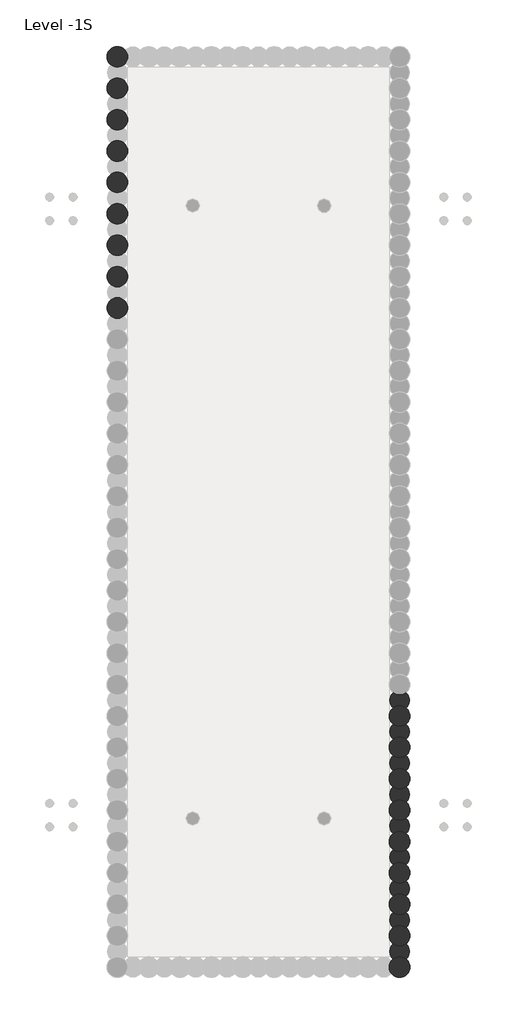
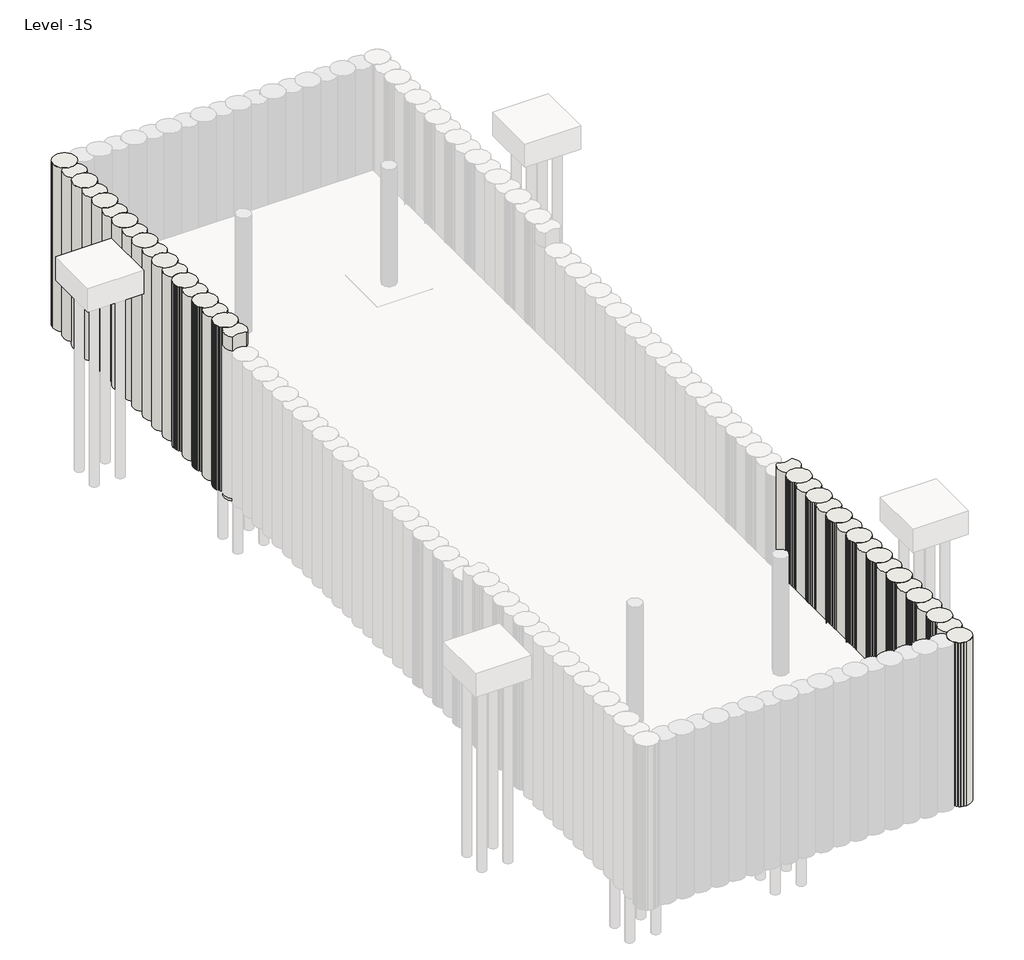
# One storey, part 2 of 5: 2 walls.
"""IFC4 building model written with IfcOpenShell, lengths in millimetres."""

from ifc_helpers import new_model, si_unit, point, frame, frame_2d, origin, place, context, project, spatial, circle_curve, trimmed, segment, composite_curve, outline, extrude, element, save

model = new_model("IFC4")

# Units and contexts
model_context = context("Model", 3, world=origin())
ifc_project = project(units=[si_unit("LENGTHUNIT", "METRE", prefix="MILLI")], contexts=[model_context])

# Site, building, storey
site = spatial("IfcSite", under=ifc_project)
building = spatial("IfcBuilding", under=site)
storey = spatial("IfcBuildingStorey", under=building, Name="Level -1S", Elevation=-5100.0)

# Walls
placement = place(None, origin())
element("IfcWall", 1, ObjectType="Walls 3 : Walls 3", at=placement, inside=storey, context=model_context, shape_type="SweptSolid", body=[
    extrude(outline(composite_curve([segment(trimmed(circle_curve(frame_2d((-25.5749186, 40975.7751014)), 460.0), [point((-25.5749186, 41435.7751014))], [point((-25.5749186, 40515.7751014))], False, "CARTESIAN"), True, "CONTINUOUS"), segment(trimmed(circle_curve(frame_2d((-25.5749186, 40975.7751014)), 460.0), [point((-25.5749186, 40515.7751014))], [point((-25.5749186, 41435.7751014))], False, "CARTESIAN"), True, "CONTINUOUS")], self_intersect=False)), frame((0.0, 0.0, -7700.0), z_axis=(0.0, 0.0, 1.0), x_axis=(1.0, 0.0, 0.0)), (0.0, 0.0, 1.0), 7000.0),
    extrude(outline(composite_curve([segment(trimmed(circle_curve(frame_2d((-25.5749186, 40975.7751014)), 460.0), [point((-307.0613915, 40611.9545885))], [point((-25.5749186, 40515.7751014))], True, "CARTESIAN"), True, "CONTINUOUS"), segment(trimmed(circle_curve(frame_2d((-25.5749186, 40975.7751014)), 460.0), [point((-25.5749186, 40515.7751014))], [point((255.9115544, 40611.9545885))], True, "CARTESIAN"), True, "CONTINUOUS"), segment(trimmed(circle_curve(frame_2d((-25.5749186, 40273.7751014)), 440.0), [point((255.9115544, 40611.9545885))], [point((255.9115544, 39935.5956142))], False, "CARTESIAN"), True, "CONTINUOUS"), segment(trimmed(circle_curve(frame_2d((-25.5749186, 39571.7751014)), 460.0), [point((255.9115544, 39935.5956142))], [point((-307.0613915, 39935.5956142))], True, "CARTESIAN"), True, "CONTINUOUS"), segment(trimmed(circle_curve(frame_2d((-25.5749186, 40273.7751014)), 440.0), [point((-307.0613915, 39935.5956142))], [point((-307.0613915, 40611.9545885))], False, "CARTESIAN"), True, "CONTINUOUS")], self_intersect=False)), frame((0.0, 0.0, -7700.0), z_axis=(0.0, 0.0, 1.0), x_axis=(1.0, 0.0, 0.0)), (0.0, 0.0, 1.0), 7000.0),
    extrude(outline(composite_curve([segment(trimmed(circle_curve(frame_2d((-25.5749186, 39571.7751014)), 460.0), [point((-25.5749186, 40031.7751014))], [point((-25.5749186, 39111.7751014))], False, "CARTESIAN"), True, "CONTINUOUS"), segment(trimmed(circle_curve(frame_2d((-25.5749186, 39571.7751014)), 460.0), [point((-25.5749186, 39111.7751014))], [point((-25.5749186, 40031.7751014))], False, "CARTESIAN"), True, "CONTINUOUS")], self_intersect=False)), frame((0.0, 0.0, -7700.0), z_axis=(0.0, 0.0, 1.0), x_axis=(1.0, 0.0, 0.0)), (0.0, 0.0, 1.0), 7000.0),
    extrude(outline(composite_curve([segment(trimmed(circle_curve(frame_2d((-25.5749186, 39571.7751014)), 460.0), [point((-307.0613915, 39207.9545885))], [point((-25.5749186, 39111.7751014))], True, "CARTESIAN"), True, "CONTINUOUS"), segment(trimmed(circle_curve(frame_2d((-25.5749186, 39571.7751014)), 460.0), [point((-25.5749186, 39111.7751014))], [point((255.9115544, 39207.9545885))], True, "CARTESIAN"), True, "CONTINUOUS"), segment(trimmed(circle_curve(frame_2d((-25.5749186, 38869.7751014)), 440.0), [point((255.9115544, 39207.9545885))], [point((255.9115544, 38531.5956142))], False, "CARTESIAN"), True, "CONTINUOUS"), segment(trimmed(circle_curve(frame_2d((-25.5749186, 38167.7751014)), 460.0), [point((255.9115544, 38531.5956142))], [point((-307.0613915, 38531.5956142))], True, "CARTESIAN"), True, "CONTINUOUS"), segment(trimmed(circle_curve(frame_2d((-25.5749186, 38869.7751014)), 440.0), [point((-307.0613915, 38531.5956142))], [point((-307.0613915, 39207.9545885))], False, "CARTESIAN"), True, "CONTINUOUS")], self_intersect=False)), frame((0.0, 0.0, -7700.0), z_axis=(0.0, 0.0, 1.0), x_axis=(1.0, 0.0, 0.0)), (0.0, 0.0, 1.0), 7000.0),
    extrude(outline(composite_curve([segment(trimmed(circle_curve(frame_2d((-25.5749186, 38167.7751014)), 460.0), [point((-25.5749186, 38627.7751014))], [point((-25.5749186, 37707.7751014))], False, "CARTESIAN"), True, "CONTINUOUS"), segment(trimmed(circle_curve(frame_2d((-25.5749186, 38167.7751014)), 460.0), [point((-25.5749186, 37707.7751014))], [point((-25.5749186, 38627.7751014))], False, "CARTESIAN"), True, "CONTINUOUS")], self_intersect=False)), frame((0.0, 0.0, -7700.0), z_axis=(0.0, 0.0, 1.0), x_axis=(1.0, 0.0, 0.0)), (0.0, 0.0, 1.0), 7000.0),
    extrude(outline(composite_curve([segment(trimmed(circle_curve(frame_2d((-25.5749186, 38167.7751014)), 460.0), [point((-307.0613915, 37803.9545885))], [point((-25.5749186, 37707.7751014))], True, "CARTESIAN"), True, "CONTINUOUS"), segment(trimmed(circle_curve(frame_2d((-25.5749186, 38167.7751014)), 460.0), [point((-25.5749186, 37707.7751014))], [point((255.9115544, 37803.9545885))], True, "CARTESIAN"), True, "CONTINUOUS"), segment(trimmed(circle_curve(frame_2d((-25.5749186, 37465.7751014)), 440.0), [point((255.9115544, 37803.9545885))], [point((255.9115544, 37127.5956142))], False, "CARTESIAN"), True, "CONTINUOUS"), segment(trimmed(circle_curve(frame_2d((-25.5749186, 36763.7751014)), 460.0), [point((255.9115544, 37127.5956142))], [point((-307.0613915, 37127.5956142))], True, "CARTESIAN"), True, "CONTINUOUS"), segment(trimmed(circle_curve(frame_2d((-25.5749186, 37465.7751014)), 440.0), [point((-307.0613915, 37127.5956142))], [point((-307.0613915, 37803.9545885))], False, "CARTESIAN"), True, "CONTINUOUS")], self_intersect=False)), frame((0.0, 0.0, -7700.0), z_axis=(0.0, 0.0, 1.0), x_axis=(1.0, 0.0, 0.0)), (0.0, 0.0, 1.0), 7000.0),
    extrude(outline(composite_curve([segment(trimmed(circle_curve(frame_2d((-25.5749186, 36763.7751014)), 460.0), [point((-25.5749186, 37223.7751014))], [point((-25.5749186, 36303.7751014))], False, "CARTESIAN"), True, "CONTINUOUS"), segment(trimmed(circle_curve(frame_2d((-25.5749186, 36763.7751014)), 460.0), [point((-25.5749186, 36303.7751014))], [point((-25.5749186, 37223.7751014))], False, "CARTESIAN"), True, "CONTINUOUS")], self_intersect=False)), frame((0.0, 0.0, -7700.0), z_axis=(0.0, 0.0, 1.0), x_axis=(1.0, 0.0, 0.0)), (0.0, 0.0, 1.0), 7000.0),
    extrude(outline(composite_curve([segment(trimmed(circle_curve(frame_2d((-25.5749186, 36763.7751014)), 460.0), [point((-307.0613915, 36399.9545885))], [point((-25.5749186, 36303.7751014))], True, "CARTESIAN"), True, "CONTINUOUS"), segment(trimmed(circle_curve(frame_2d((-25.5749186, 36763.7751014)), 460.0), [point((-25.5749186, 36303.7751014))], [point((255.9115544, 36399.9545885))], True, "CARTESIAN"), True, "CONTINUOUS"), segment(trimmed(circle_curve(frame_2d((-25.5749186, 36061.7751014)), 440.0), [point((255.9115544, 36399.9545885))], [point((255.9115544, 35723.5956142))], False, "CARTESIAN"), True, "CONTINUOUS"), segment(trimmed(circle_curve(frame_2d((-25.5749186, 35359.7751014)), 460.0), [point((255.9115544, 35723.5956142))], [point((-307.0613915, 35723.5956142))], True, "CARTESIAN"), True, "CONTINUOUS"), segment(trimmed(circle_curve(frame_2d((-25.5749186, 36061.7751014)), 440.0), [point((-307.0613915, 35723.5956142))], [point((-307.0613915, 36399.9545885))], False, "CARTESIAN"), True, "CONTINUOUS")], self_intersect=False)), frame((0.0, 0.0, -7700.0), z_axis=(0.0, 0.0, 1.0), x_axis=(1.0, 0.0, 0.0)), (0.0, 0.0, 1.0), 7000.0),
    extrude(outline(composite_curve([segment(trimmed(circle_curve(frame_2d((-25.5749186, 35359.7751014)), 460.0), [point((-25.5749186, 35819.7751014))], [point((-25.5749186, 34899.7751014))], False, "CARTESIAN"), True, "CONTINUOUS"), segment(trimmed(circle_curve(frame_2d((-25.5749186, 35359.7751014)), 460.0), [point((-25.5749186, 34899.7751014))], [point((-25.5749186, 35819.7751014))], False, "CARTESIAN"), True, "CONTINUOUS")], self_intersect=False)), frame((0.0, 0.0, -7700.0), z_axis=(0.0, 0.0, 1.0), x_axis=(1.0, 0.0, 0.0)), (0.0, 0.0, 1.0), 7000.0),
    extrude(outline(composite_curve([segment(trimmed(circle_curve(frame_2d((-25.5749186, 35359.7751014)), 460.0), [point((-307.0613915, 34995.9545885))], [point((-25.5749186, 34899.7751014))], True, "CARTESIAN"), True, "CONTINUOUS"), segment(trimmed(circle_curve(frame_2d((-25.5749186, 35359.7751014)), 460.0), [point((-25.5749186, 34899.7751014))], [point((255.9115544, 34995.9545885))], True, "CARTESIAN"), True, "CONTINUOUS"), segment(trimmed(circle_curve(frame_2d((-25.5749186, 34657.7751014)), 440.0), [point((255.9115544, 34995.9545885))], [point((255.9115544, 34319.5956142))], False, "CARTESIAN"), True, "CONTINUOUS"), segment(trimmed(circle_curve(frame_2d((-25.5749186, 33955.7751014)), 460.0), [point((255.9115544, 34319.5956142))], [point((-307.0613915, 34319.5956142))], True, "CARTESIAN"), True, "CONTINUOUS"), segment(trimmed(circle_curve(frame_2d((-25.5749186, 34657.7751014)), 440.0), [point((-307.0613915, 34319.5956142))], [point((-307.0613915, 34995.9545885))], False, "CARTESIAN"), True, "CONTINUOUS")], self_intersect=False)), frame((0.0, 0.0, -7700.0), z_axis=(0.0, 0.0, 1.0), x_axis=(1.0, 0.0, 0.0)), (0.0, 0.0, 1.0), 7000.0),
    extrude(outline(composite_curve([segment(trimmed(circle_curve(frame_2d((-25.5749186, 33955.7751014)), 460.0), [point((-25.5749186, 34415.7751014))], [point((-25.5749186, 33495.7751014))], False, "CARTESIAN"), True, "CONTINUOUS"), segment(trimmed(circle_curve(frame_2d((-25.5749186, 33955.7751014)), 460.0), [point((-25.5749186, 33495.7751014))], [point((-25.5749186, 34415.7751014))], False, "CARTESIAN"), True, "CONTINUOUS")], self_intersect=False)), frame((0.0, 0.0, -7700.0), z_axis=(0.0, 0.0, 1.0), x_axis=(1.0, 0.0, 0.0)), (0.0, 0.0, 1.0), 7000.0),
    extrude(outline(composite_curve([segment(trimmed(circle_curve(frame_2d((-25.5749186, 33955.7751014)), 460.0), [point((-307.0613915, 33591.9545885))], [point((-25.5749186, 33495.7751014))], True, "CARTESIAN"), True, "CONTINUOUS"), segment(trimmed(circle_curve(frame_2d((-25.5749186, 33955.7751014)), 460.0), [point((-25.5749186, 33495.7751014))], [point((255.9115544, 33591.9545885))], True, "CARTESIAN"), True, "CONTINUOUS"), segment(trimmed(circle_curve(frame_2d((-25.5749186, 33253.7751014)), 440.0), [point((255.9115544, 33591.9545885))], [point((255.9115544, 32915.5956142))], False, "CARTESIAN"), True, "CONTINUOUS"), segment(trimmed(circle_curve(frame_2d((-25.5749186, 32551.7751014)), 460.0), [point((255.9115544, 32915.5956142))], [point((-307.0613915, 32915.5956142))], True, "CARTESIAN"), True, "CONTINUOUS"), segment(trimmed(circle_curve(frame_2d((-25.5749186, 33253.7751014)), 440.0), [point((-307.0613915, 32915.5956142))], [point((-307.0613915, 33591.9545885))], False, "CARTESIAN"), True, "CONTINUOUS")], self_intersect=False)), frame((0.0, 0.0, -7700.0), z_axis=(0.0, 0.0, 1.0), x_axis=(1.0, 0.0, 0.0)), (0.0, 0.0, 1.0), 7000.0),
    extrude(outline(composite_curve([segment(trimmed(circle_curve(frame_2d((-25.5749186, 32551.7751014)), 460.0), [point((-25.5749186, 33011.7751014))], [point((-25.5749186, 32091.7751014))], False, "CARTESIAN"), True, "CONTINUOUS"), segment(trimmed(circle_curve(frame_2d((-25.5749186, 32551.7751014)), 460.0), [point((-25.5749186, 32091.7751014))], [point((-25.5749186, 33011.7751014))], False, "CARTESIAN"), True, "CONTINUOUS")], self_intersect=False)), frame((0.0, 0.0, -7700.0), z_axis=(0.0, 0.0, 1.0), x_axis=(1.0, 0.0, 0.0)), (0.0, 0.0, 1.0), 7000.0),
    extrude(outline(composite_curve([segment(trimmed(circle_curve(frame_2d((-25.5749186, 32551.7751014)), 460.0), [point((-307.0613915, 32187.9545885))], [point((-25.5749186, 32091.7751014))], True, "CARTESIAN"), True, "CONTINUOUS"), segment(trimmed(circle_curve(frame_2d((-25.5749186, 32551.7751014)), 460.0), [point((-25.5749186, 32091.7751014))], [point((255.9115544, 32187.9545885))], True, "CARTESIAN"), True, "CONTINUOUS"), segment(trimmed(circle_curve(frame_2d((-25.5749186, 31849.7751014)), 440.0), [point((255.9115544, 32187.9545885))], [point((255.9115544, 31511.5956142))], False, "CARTESIAN"), True, "CONTINUOUS"), segment(trimmed(circle_curve(frame_2d((-25.5749186, 31147.7751014)), 460.0), [point((255.9115544, 31511.5956142))], [point((-307.0613915, 31511.5956142))], True, "CARTESIAN"), True, "CONTINUOUS"), segment(trimmed(circle_curve(frame_2d((-25.5749186, 31849.7751014)), 440.0), [point((-307.0613915, 31511.5956142))], [point((-307.0613915, 32187.9545885))], False, "CARTESIAN"), True, "CONTINUOUS")], self_intersect=False)), frame((0.0, 0.0, -7700.0), z_axis=(0.0, 0.0, 1.0), x_axis=(1.0, 0.0, 0.0)), (0.0, 0.0, 1.0), 7000.0),
    extrude(outline(composite_curve([segment(trimmed(circle_curve(frame_2d((-25.5749186, 31147.7751014)), 460.0), [point((-25.5749186, 31607.7751014))], [point((-25.5749186, 30687.7751014))], False, "CARTESIAN"), True, "CONTINUOUS"), segment(trimmed(circle_curve(frame_2d((-25.5749186, 31147.7751014)), 460.0), [point((-25.5749186, 30687.7751014))], [point((-25.5749186, 31607.7751014))], False, "CARTESIAN"), True, "CONTINUOUS")], self_intersect=False)), frame((0.0, 0.0, -7700.0), z_axis=(0.0, 0.0, 1.0), x_axis=(1.0, 0.0, 0.0)), (0.0, 0.0, 1.0), 7000.0),
    extrude(outline(composite_curve([segment(trimmed(circle_curve(frame_2d((-25.5749186, 31147.7751014)), 460.0), [point((-307.0613915, 30783.9545885))], [point((-25.5749186, 30687.7751014))], True, "CARTESIAN"), True, "CONTINUOUS"), segment(trimmed(circle_curve(frame_2d((-25.5749186, 31147.7751014)), 460.0), [point((-25.5749186, 30687.7751014))], [point((255.9115544, 30783.9545885))], True, "CARTESIAN"), True, "CONTINUOUS"), segment(trimmed(circle_curve(frame_2d((-25.5749186, 30445.7751014)), 440.0), [point((255.9115544, 30783.9545885))], [point((255.9115544, 30107.5956142))], False, "CARTESIAN"), True, "CONTINUOUS"), segment(trimmed(circle_curve(frame_2d((-25.5749186, 29743.7751014)), 460.0), [point((255.9115544, 30107.5956142))], [point((-307.0613915, 30107.5956142))], True, "CARTESIAN"), True, "CONTINUOUS"), segment(trimmed(circle_curve(frame_2d((-25.5749186, 30445.7751014)), 440.0), [point((-307.0613915, 30107.5956142))], [point((-307.0613915, 30783.9545885))], False, "CARTESIAN"), True, "CONTINUOUS")], self_intersect=False)), frame((0.0, 0.0, -7700.0), z_axis=(0.0, 0.0, 1.0), x_axis=(1.0, 0.0, 0.0)), (0.0, 0.0, 1.0), 7000.0),
    extrude(outline(composite_curve([segment(trimmed(circle_curve(frame_2d((-25.5749186, 29743.7751014)), 460.0), [point((-25.5749186, 30203.7751014))], [point((-25.5749186, 29283.7751014))], False, "CARTESIAN"), True, "CONTINUOUS"), segment(trimmed(circle_curve(frame_2d((-25.5749186, 29743.7751014)), 460.0), [point((-25.5749186, 29283.7751014))], [point((-25.5749186, 30203.7751014))], False, "CARTESIAN"), True, "CONTINUOUS")], self_intersect=False)), frame((0.0, 0.0, -7700.0), z_axis=(0.0, 0.0, 1.0), x_axis=(1.0, 0.0, 0.0)), (0.0, 0.0, 1.0), 7000.0),
    extrude(outline(composite_curve([segment(trimmed(circle_curve(frame_2d((-25.5749186, 29743.7751014)), 460.0), [point((-307.0613915, 29379.9545885))], [point((-25.5749186, 29283.7751014))], True, "CARTESIAN"), True, "CONTINUOUS"), segment(trimmed(circle_curve(frame_2d((-25.5749186, 29743.7751014)), 460.0), [point((-25.5749186, 29283.7751014))], [point((255.9115544, 29379.9545885))], True, "CARTESIAN"), True, "CONTINUOUS"), segment(trimmed(circle_curve(frame_2d((-25.5749186, 29041.7751014)), 440.0), [point((255.9115544, 29379.9545885))], [point((255.9115544, 28703.5956142))], False, "CARTESIAN"), True, "CONTINUOUS"), segment(trimmed(circle_curve(frame_2d((-25.5749186, 28339.7751014)), 460.0), [point((255.9115544, 28703.5956142))], [point((-307.0613915, 28703.5956142))], True, "CARTESIAN"), True, "CONTINUOUS"), segment(trimmed(circle_curve(frame_2d((-25.5749186, 29041.7751014)), 440.0), [point((-307.0613915, 28703.5956142))], [point((-307.0613915, 29379.9545885))], False, "CARTESIAN"), True, "CONTINUOUS")], self_intersect=False)), frame((0.0, 0.0, -7700.0), z_axis=(0.0, 0.0, 1.0), x_axis=(1.0, 0.0, 0.0)), (0.0, 0.0, 1.0), 7000.0),
])
element("IfcWall", 2, ObjectType="Walls 8 : Walls 3", at=placement, inside=storey, context=model_context, shape_type="SweptSolid", body=[
    extrude(outline(composite_curve([segment(trimmed(circle_curve(frame_2d((12610.42816, 259.7751014)), 460.0), [point((12610.42816, -200.2248986))], [point((12610.42816, 719.7751014))], False, "CARTESIAN"), True, "CONTINUOUS"), segment(trimmed(circle_curve(frame_2d((12610.42816, 259.7751014)), 460.0), [point((12610.42816, 719.7751014))], [point((12610.42816, -200.2248986))], False, "CARTESIAN"), True, "CONTINUOUS")], self_intersect=False)), frame((0.0, 0.0, -7700.0), z_axis=(0.0, 0.0, 1.0), x_axis=(1.0, 0.0, 0.0)), (0.0, 0.0, 1.0), 7000.0),
    extrude(outline(composite_curve([segment(trimmed(circle_curve(frame_2d((12610.42816, 259.7751014)), 460.0), [point((12891.914633, 623.5956142))], [point((12610.42816, 719.7751014))], True, "CARTESIAN"), True, "CONTINUOUS"), segment(trimmed(circle_curve(frame_2d((12610.42816, 259.7751014)), 460.0), [point((12610.42816, 719.7751014))], [point((12328.9416871, 623.5956142))], True, "CARTESIAN"), True, "CONTINUOUS"), segment(trimmed(circle_curve(frame_2d((12610.42816, 961.7751014)), 440.0), [point((12328.9416871, 623.5956142))], [point((12328.9416871, 1299.9545885))], False, "CARTESIAN"), True, "CONTINUOUS"), segment(trimmed(circle_curve(frame_2d((12610.42816, 1663.7751014)), 460.0), [point((12328.9416871, 1299.9545885))], [point((12891.914633, 1299.9545885))], True, "CARTESIAN"), True, "CONTINUOUS"), segment(trimmed(circle_curve(frame_2d((12610.42816, 961.7751014)), 440.0), [point((12891.914633, 1299.9545885))], [point((12891.914633, 623.5956142))], False, "CARTESIAN"), True, "CONTINUOUS")], self_intersect=False)), frame((0.0, 0.0, -7700.0), z_axis=(0.0, 0.0, 1.0), x_axis=(1.0, 0.0, 0.0)), (0.0, 0.0, 1.0), 7000.0),
    extrude(outline(composite_curve([segment(trimmed(circle_curve(frame_2d((12610.42816, 1663.7751014)), 460.0), [point((12610.42816, 1203.7751014))], [point((12610.42816, 2123.7751014))], False, "CARTESIAN"), True, "CONTINUOUS"), segment(trimmed(circle_curve(frame_2d((12610.42816, 1663.7751014)), 460.0), [point((12610.42816, 2123.7751014))], [point((12610.42816, 1203.7751014))], False, "CARTESIAN"), True, "CONTINUOUS")], self_intersect=False)), frame((0.0, 0.0, -7700.0), z_axis=(0.0, 0.0, 1.0), x_axis=(1.0, 0.0, 0.0)), (0.0, 0.0, 1.0), 7000.0),
    extrude(outline(composite_curve([segment(trimmed(circle_curve(frame_2d((12610.42816, 1663.7751014)), 460.0), [point((12891.914633, 2027.5956142))], [point((12610.42816, 2123.7751014))], True, "CARTESIAN"), True, "CONTINUOUS"), segment(trimmed(circle_curve(frame_2d((12610.42816, 1663.7751014)), 460.0), [point((12610.42816, 2123.7751014))], [point((12328.9416871, 2027.5956142))], True, "CARTESIAN"), True, "CONTINUOUS"), segment(trimmed(circle_curve(frame_2d((12610.42816, 2365.7751014)), 440.0), [point((12328.9416871, 2027.5956142))], [point((12328.9416871, 2703.9545885))], False, "CARTESIAN"), True, "CONTINUOUS"), segment(trimmed(circle_curve(frame_2d((12610.42816, 3067.7751014)), 460.0), [point((12328.9416871, 2703.9545885))], [point((12891.914633, 2703.9545885))], True, "CARTESIAN"), True, "CONTINUOUS"), segment(trimmed(circle_curve(frame_2d((12610.42816, 2365.7751014)), 440.0), [point((12891.914633, 2703.9545885))], [point((12891.914633, 2027.5956142))], False, "CARTESIAN"), True, "CONTINUOUS")], self_intersect=False)), frame((0.0, 0.0, -7700.0), z_axis=(0.0, 0.0, 1.0), x_axis=(1.0, 0.0, 0.0)), (0.0, 0.0, 1.0), 7000.0),
    extrude(outline(composite_curve([segment(trimmed(circle_curve(frame_2d((12610.42816, 3067.7751014)), 460.0), [point((12610.42816, 2607.7751014))], [point((12610.42816, 3527.7751014))], False, "CARTESIAN"), True, "CONTINUOUS"), segment(trimmed(circle_curve(frame_2d((12610.42816, 3067.7751014)), 460.0), [point((12610.42816, 3527.7751014))], [point((12610.42816, 2607.7751014))], False, "CARTESIAN"), True, "CONTINUOUS")], self_intersect=False)), frame((0.0, 0.0, -7700.0), z_axis=(0.0, 0.0, 1.0), x_axis=(1.0, 0.0, 0.0)), (0.0, 0.0, 1.0), 7000.0),
    extrude(outline(composite_curve([segment(trimmed(circle_curve(frame_2d((12610.42816, 3067.7751014)), 460.0), [point((12891.914633, 3431.5956142))], [point((12610.42816, 3527.7751014))], True, "CARTESIAN"), True, "CONTINUOUS"), segment(trimmed(circle_curve(frame_2d((12610.42816, 3067.7751014)), 460.0), [point((12610.42816, 3527.7751014))], [point((12328.9416871, 3431.5956142))], True, "CARTESIAN"), True, "CONTINUOUS"), segment(trimmed(circle_curve(frame_2d((12610.42816, 3769.7751014)), 440.0), [point((12328.9416871, 3431.5956142))], [point((12328.9416871, 4107.9545885))], False, "CARTESIAN"), True, "CONTINUOUS"), segment(trimmed(circle_curve(frame_2d((12610.42816, 4471.7751014)), 460.0), [point((12328.9416871, 4107.9545885))], [point((12891.914633, 4107.9545885))], True, "CARTESIAN"), True, "CONTINUOUS"), segment(trimmed(circle_curve(frame_2d((12610.42816, 3769.7751014)), 440.0), [point((12891.914633, 4107.9545885))], [point((12891.914633, 3431.5956142))], False, "CARTESIAN"), True, "CONTINUOUS")], self_intersect=False)), frame((0.0, 0.0, -7700.0), z_axis=(0.0, 0.0, 1.0), x_axis=(1.0, 0.0, 0.0)), (0.0, 0.0, 1.0), 7000.0),
    extrude(outline(composite_curve([segment(trimmed(circle_curve(frame_2d((12610.42816, 4471.7751014)), 460.0), [point((12610.42816, 4011.7751014))], [point((12610.42816, 4931.7751014))], False, "CARTESIAN"), True, "CONTINUOUS"), segment(trimmed(circle_curve(frame_2d((12610.42816, 4471.7751014)), 460.0), [point((12610.42816, 4931.7751014))], [point((12610.42816, 4011.7751014))], False, "CARTESIAN"), True, "CONTINUOUS")], self_intersect=False)), frame((0.0, 0.0, -7700.0), z_axis=(0.0, 0.0, 1.0), x_axis=(1.0, 0.0, 0.0)), (0.0, 0.0, 1.0), 7000.0),
    extrude(outline(composite_curve([segment(trimmed(circle_curve(frame_2d((12610.42816, 4471.7751014)), 460.0), [point((12891.914633, 4835.5956142))], [point((12610.42816, 4931.7751014))], True, "CARTESIAN"), True, "CONTINUOUS"), segment(trimmed(circle_curve(frame_2d((12610.42816, 4471.7751014)), 460.0), [point((12610.42816, 4931.7751014))], [point((12328.9416871, 4835.5956142))], True, "CARTESIAN"), True, "CONTINUOUS"), segment(trimmed(circle_curve(frame_2d((12610.42816, 5173.7751014)), 440.0), [point((12328.9416871, 4835.5956142))], [point((12328.9416871, 5511.9545885))], False, "CARTESIAN"), True, "CONTINUOUS"), segment(trimmed(circle_curve(frame_2d((12610.42816, 5875.7751014)), 460.0), [point((12328.9416871, 5511.9545885))], [point((12891.914633, 5511.9545885))], True, "CARTESIAN"), True, "CONTINUOUS"), segment(trimmed(circle_curve(frame_2d((12610.42816, 5173.7751014)), 440.0), [point((12891.914633, 5511.9545885))], [point((12891.914633, 4835.5956142))], False, "CARTESIAN"), True, "CONTINUOUS")], self_intersect=False)), frame((0.0, 0.0, -7700.0), z_axis=(0.0, 0.0, 1.0), x_axis=(1.0, 0.0, 0.0)), (0.0, 0.0, 1.0), 7000.0),
    extrude(outline(composite_curve([segment(trimmed(circle_curve(frame_2d((12610.42816, 5875.7751014)), 460.0), [point((12610.42816, 5415.7751014))], [point((12610.42816, 6335.7751014))], False, "CARTESIAN"), True, "CONTINUOUS"), segment(trimmed(circle_curve(frame_2d((12610.42816, 5875.7751014)), 460.0), [point((12610.42816, 6335.7751014))], [point((12610.42816, 5415.7751014))], False, "CARTESIAN"), True, "CONTINUOUS")], self_intersect=False)), frame((0.0, 0.0, -7700.0), z_axis=(0.0, 0.0, 1.0), x_axis=(1.0, 0.0, 0.0)), (0.0, 0.0, 1.0), 7000.0),
    extrude(outline(composite_curve([segment(trimmed(circle_curve(frame_2d((12610.42816, 5875.7751014)), 460.0), [point((12891.914633, 6239.5956142))], [point((12610.42816, 6335.7751014))], True, "CARTESIAN"), True, "CONTINUOUS"), segment(trimmed(circle_curve(frame_2d((12610.42816, 5875.7751014)), 460.0), [point((12610.42816, 6335.7751014))], [point((12328.9416871, 6239.5956142))], True, "CARTESIAN"), True, "CONTINUOUS"), segment(trimmed(circle_curve(frame_2d((12610.42816, 6577.7751014)), 440.0), [point((12328.9416871, 6239.5956142))], [point((12328.9416871, 6915.9545885))], False, "CARTESIAN"), True, "CONTINUOUS"), segment(trimmed(circle_curve(frame_2d((12610.42816, 7279.7751014)), 460.0), [point((12328.9416871, 6915.9545885))], [point((12891.914633, 6915.9545885))], True, "CARTESIAN"), True, "CONTINUOUS"), segment(trimmed(circle_curve(frame_2d((12610.42816, 6577.7751014)), 440.0), [point((12891.914633, 6915.9545885))], [point((12891.914633, 6239.5956142))], False, "CARTESIAN"), True, "CONTINUOUS")], self_intersect=False)), frame((0.0, 0.0, -7700.0), z_axis=(0.0, 0.0, 1.0), x_axis=(1.0, 0.0, 0.0)), (0.0, 0.0, 1.0), 7000.0),
    extrude(outline(composite_curve([segment(trimmed(circle_curve(frame_2d((12610.42816, 7279.7751014)), 460.0), [point((12610.42816, 6819.7751014))], [point((12610.42816, 7739.7751014))], False, "CARTESIAN"), True, "CONTINUOUS"), segment(trimmed(circle_curve(frame_2d((12610.42816, 7279.7751014)), 460.0), [point((12610.42816, 7739.7751014))], [point((12610.42816, 6819.7751014))], False, "CARTESIAN"), True, "CONTINUOUS")], self_intersect=False)), frame((0.0, 0.0, -7700.0), z_axis=(0.0, 0.0, 1.0), x_axis=(1.0, 0.0, 0.0)), (0.0, 0.0, 1.0), 7000.0),
    extrude(outline(composite_curve([segment(trimmed(circle_curve(frame_2d((12610.42816, 7279.7751014)), 460.0), [point((12891.914633, 7643.5956142))], [point((12610.42816, 7739.7751014))], True, "CARTESIAN"), True, "CONTINUOUS"), segment(trimmed(circle_curve(frame_2d((12610.42816, 7279.7751014)), 460.0), [point((12610.42816, 7739.7751014))], [point((12328.9416871, 7643.5956142))], True, "CARTESIAN"), True, "CONTINUOUS"), segment(trimmed(circle_curve(frame_2d((12610.42816, 7981.7751014)), 440.0), [point((12328.9416871, 7643.5956142))], [point((12328.9416871, 8319.9545885))], False, "CARTESIAN"), True, "CONTINUOUS"), segment(trimmed(circle_curve(frame_2d((12610.42816, 8683.7751014)), 460.0), [point((12328.9416871, 8319.9545885))], [point((12891.914633, 8319.9545885))], True, "CARTESIAN"), True, "CONTINUOUS"), segment(trimmed(circle_curve(frame_2d((12610.42816, 7981.7751014)), 440.0), [point((12891.914633, 8319.9545885))], [point((12891.914633, 7643.5956142))], False, "CARTESIAN"), True, "CONTINUOUS")], self_intersect=False)), frame((0.0, 0.0, -7700.0), z_axis=(0.0, 0.0, 1.0), x_axis=(1.0, 0.0, 0.0)), (0.0, 0.0, 1.0), 7000.0),
    extrude(outline(composite_curve([segment(trimmed(circle_curve(frame_2d((12610.42816, 8683.7751014)), 460.0), [point((12610.42816, 8223.7751014))], [point((12610.42816, 9143.7751014))], False, "CARTESIAN"), True, "CONTINUOUS"), segment(trimmed(circle_curve(frame_2d((12610.42816, 8683.7751014)), 460.0), [point((12610.42816, 9143.7751014))], [point((12610.42816, 8223.7751014))], False, "CARTESIAN"), True, "CONTINUOUS")], self_intersect=False)), frame((0.0, 0.0, -7700.0), z_axis=(0.0, 0.0, 1.0), x_axis=(1.0, 0.0, 0.0)), (0.0, 0.0, 1.0), 7000.0),
    extrude(outline(composite_curve([segment(trimmed(circle_curve(frame_2d((12610.42816, 8683.7751014)), 460.0), [point((12891.914633, 9047.5956142))], [point((12610.42816, 9143.7751014))], True, "CARTESIAN"), True, "CONTINUOUS"), segment(trimmed(circle_curve(frame_2d((12610.42816, 8683.7751014)), 460.0), [point((12610.42816, 9143.7751014))], [point((12328.9416871, 9047.5956142))], True, "CARTESIAN"), True, "CONTINUOUS"), segment(trimmed(circle_curve(frame_2d((12610.42816, 9385.7751014)), 440.0), [point((12328.9416871, 9047.5956142))], [point((12328.9416871, 9723.9545885))], False, "CARTESIAN"), True, "CONTINUOUS"), segment(trimmed(circle_curve(frame_2d((12610.42816, 10087.7751014)), 460.0), [point((12328.9416871, 9723.9545885))], [point((12891.914633, 9723.9545885))], True, "CARTESIAN"), True, "CONTINUOUS"), segment(trimmed(circle_curve(frame_2d((12610.42816, 9385.7751014)), 440.0), [point((12891.914633, 9723.9545885))], [point((12891.914633, 9047.5956142))], False, "CARTESIAN"), True, "CONTINUOUS")], self_intersect=False)), frame((0.0, 0.0, -7700.0), z_axis=(0.0, 0.0, 1.0), x_axis=(1.0, 0.0, 0.0)), (0.0, 0.0, 1.0), 7000.0),
    extrude(outline(composite_curve([segment(trimmed(circle_curve(frame_2d((12610.42816, 10087.7751014)), 460.0), [point((12610.42816, 9627.7751014))], [point((12610.42816, 10547.7751014))], False, "CARTESIAN"), True, "CONTINUOUS"), segment(trimmed(circle_curve(frame_2d((12610.42816, 10087.7751014)), 460.0), [point((12610.42816, 10547.7751014))], [point((12610.42816, 9627.7751014))], False, "CARTESIAN"), True, "CONTINUOUS")], self_intersect=False)), frame((0.0, 0.0, -7700.0), z_axis=(0.0, 0.0, 1.0), x_axis=(1.0, 0.0, 0.0)), (0.0, 0.0, 1.0), 7000.0),
    extrude(outline(composite_curve([segment(trimmed(circle_curve(frame_2d((12610.42816, 10087.7751014)), 460.0), [point((12891.914633, 10451.5956142))], [point((12610.42816, 10547.7751014))], True, "CARTESIAN"), True, "CONTINUOUS"), segment(trimmed(circle_curve(frame_2d((12610.42816, 10087.7751014)), 460.0), [point((12610.42816, 10547.7751014))], [point((12328.9416871, 10451.5956142))], True, "CARTESIAN"), True, "CONTINUOUS"), segment(trimmed(circle_curve(frame_2d((12610.42816, 10789.7751014)), 440.0), [point((12328.9416871, 10451.5956142))], [point((12328.9416871, 11127.9545885))], False, "CARTESIAN"), True, "CONTINUOUS"), segment(trimmed(circle_curve(frame_2d((12610.42816, 11491.7751014)), 460.0), [point((12328.9416871, 11127.9545885))], [point((12891.914633, 11127.9545885))], True, "CARTESIAN"), True, "CONTINUOUS"), segment(trimmed(circle_curve(frame_2d((12610.42816, 10789.7751014)), 440.0), [point((12891.914633, 11127.9545885))], [point((12891.914633, 10451.5956142))], False, "CARTESIAN"), True, "CONTINUOUS")], self_intersect=False)), frame((0.0, 0.0, -7700.0), z_axis=(0.0, 0.0, 1.0), x_axis=(1.0, 0.0, 0.0)), (0.0, 0.0, 1.0), 7000.0),
    extrude(outline(composite_curve([segment(trimmed(circle_curve(frame_2d((12610.42816, 11491.7751014)), 460.0), [point((12610.42816, 11031.7751014))], [point((12610.42816, 11951.7751014))], False, "CARTESIAN"), True, "CONTINUOUS"), segment(trimmed(circle_curve(frame_2d((12610.42816, 11491.7751014)), 460.0), [point((12610.42816, 11951.7751014))], [point((12610.42816, 11031.7751014))], False, "CARTESIAN"), True, "CONTINUOUS")], self_intersect=False)), frame((0.0, 0.0, -7700.0), z_axis=(0.0, 0.0, 1.0), x_axis=(1.0, 0.0, 0.0)), (0.0, 0.0, 1.0), 7000.0),
    extrude(outline(composite_curve([segment(trimmed(circle_curve(frame_2d((12610.42816, 11491.7751014)), 460.0), [point((12891.914633, 11855.5956142))], [point((12610.42816, 11951.7751014))], True, "CARTESIAN"), True, "CONTINUOUS"), segment(trimmed(circle_curve(frame_2d((12610.42816, 11491.7751014)), 460.0), [point((12610.42816, 11951.7751014))], [point((12328.9416871, 11855.5956142))], True, "CARTESIAN"), True, "CONTINUOUS"), segment(trimmed(circle_curve(frame_2d((12610.42816, 12193.7751014)), 440.0), [point((12328.9416871, 11855.5956142))], [point((12328.9416871, 12531.9545885))], False, "CARTESIAN"), True, "CONTINUOUS"), segment(trimmed(circle_curve(frame_2d((12610.42816, 12895.7751014)), 460.0), [point((12328.9416871, 12531.9545885))], [point((12891.914633, 12531.9545885))], True, "CARTESIAN"), True, "CONTINUOUS"), segment(trimmed(circle_curve(frame_2d((12610.42816, 12193.7751014)), 440.0), [point((12891.914633, 12531.9545885))], [point((12891.914633, 11855.5956142))], False, "CARTESIAN"), True, "CONTINUOUS")], self_intersect=False)), frame((0.0, 0.0, -7700.0), z_axis=(0.0, 0.0, 1.0), x_axis=(1.0, 0.0, 0.0)), (0.0, 0.0, 1.0), 7000.0),
])

save(model, "model.ifc")
